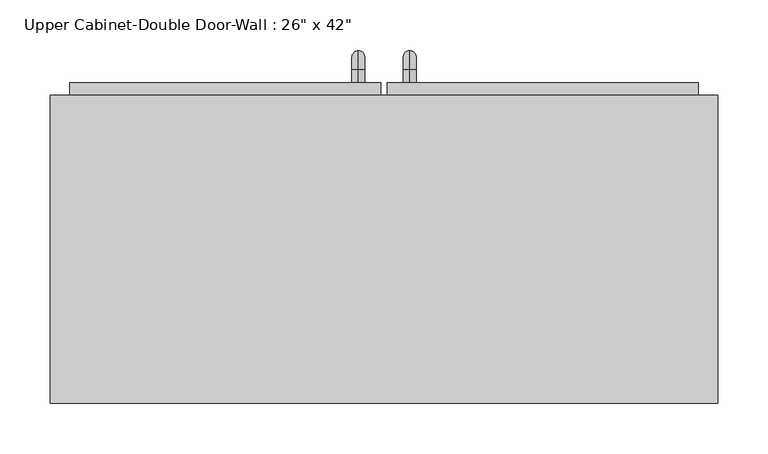
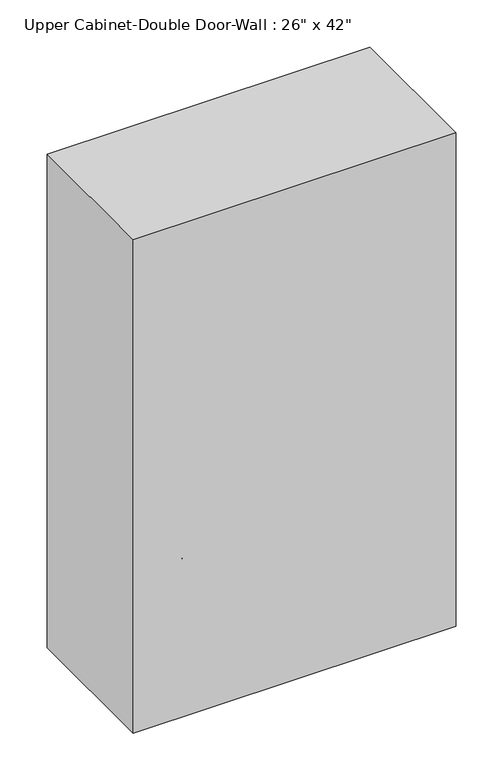
"""IFC4 building model written with IfcOpenShell, lengths in millimetres: furniture geometry."""

from ifc_helpers import new_model, si_unit, point, frame, origin, place, context, project, spatial, polyline, circle_curve, ellipse_curve, trimmed, outline, extrude, faceted_brep, source, transform, mapped, element, save
from ifc_brep_helpers import plane_surface, cylinder_surface, revolved_surface, advanced_brep


def furniture_21360c3f(model_context):
    return source(origin(), model_context, "Body", "SolidModel", [
        faceted_brep([(-300.4288372, 61.9125, 2133.6), (-300.4288372, 61.9125, 1066.8), (359.9711628, 61.9125, 1066.8), (359.9711628, 61.9125, 2133.6), (-300.4288372, 366.7125, 2133.6), (359.9711628, 366.7125, 2133.6), (359.9711628, 366.7125, 1066.8), (-300.4288372, 366.7125, 1066.8), (-281.3788372, 366.7125, 2114.55), (-281.3788372, 366.7125, 1085.85), (340.9211628, 366.7125, 1085.85), (340.9211628, 366.7125, 2114.55), (340.9211628, 80.9625, 2114.55), (-281.3788372, 80.9625, 2114.55), (340.9211628, 80.9625, 1085.85), (-281.3788372, 80.9625, 1085.85)], [[[0, 1, 2, 3]], [[4, 5, 6, 7], [8, 9, 10, 11]], [[1, 0, 4, 7]], [[2, 1, 7, 6]], [[3, 2, 6, 5]], [[0, 3, 5, 4]], [[8, 11, 12, 13]], [[11, 10, 14, 12]], [[10, 9, 15, 14]], [[9, 8, 13, 15]], [[13, 12, 14, 15]]]),
        advanced_brep(
        [(55.1711628, 379.4125, 1212.85), (55.1711628, 379.4125, 1225.55), (55.1711628, 392.1125, 1212.85), (55.1711628, 392.1125, 1225.55), (55.1711628, 411.1625, 1206.5), (55.1711628, 398.4625, 1206.5), (55.1711628, 398.4625, 1130.3), (55.1711628, 411.1625, 1130.3), (55.1711628, 392.1125, 1111.25), (55.1711628, 392.1125, 1123.95), (55.1711628, 379.4125, 1123.95), (55.1711628, 379.4125, 1111.25)],
        [
            (0, 1, circle_curve(frame((55.1711628, 379.4125, 1219.2), z_axis=(0.0, -1.0, 0.0), x_axis=(0.0, 0.0, -1.0)), 6.35)),
            (1, 0, circle_curve(frame((55.1711628, 379.4125, 1219.2), z_axis=(0.0, -1.0, 0.0), x_axis=(0.0, 0.0, -1.0)), 6.35)),
            (0, 2),
            (2, 3, circle_curve(frame((55.1711628, 392.1125, 1219.2), z_axis=(0.0, -1.0, 0.0), x_axis=(0.0, 0.0, -1.0)), 6.35)),
            (3, 1),
            (3, 2, circle_curve(frame((55.1711628, 392.1125, 1219.2), z_axis=(0.0, -1.0, 0.0), x_axis=(0.0, 0.0, -1.0)), 6.35)),
            (4, 3, circle_curve(frame((55.1711628, 392.1125, 1206.5), z_axis=(1.0, 0.0, 0.0), x_axis=(0.0, 0.0, 1.0)), 19.05)),
            (2, 5, circle_curve(frame((55.1711628, 392.1125, 1206.5), z_axis=(-1.0, 0.0, 0.0), x_axis=(0.0, 0.0, 1.0)), 6.35)),
            (5, 4, circle_curve(frame((55.1711628, 404.8125, 1206.5), z_axis=(0.0, 0.0, 1.0), x_axis=(0.0, -1.0, 0.0)), 6.35)),
            (4, 5, circle_curve(frame((55.1711628, 404.8125, 1206.5), z_axis=(0.0, 0.0, 1.0), x_axis=(0.0, -1.0, 0.0)), 6.35)),
            (5, 6),
            (6, 7, circle_curve(frame((55.1711628, 404.8125, 1130.3), z_axis=(0.0, 0.0, 1.0), x_axis=(0.0, -1.0, 0.0)), 6.35)),
            (7, 4),
            (7, 6, circle_curve(frame((55.1711628, 404.8125, 1130.3), z_axis=(0.0, 0.0, 1.0), x_axis=(0.0, -1.0, 0.0)), 6.35)),
            (8, 7, circle_curve(frame((55.1711628, 392.1125, 1130.3), z_axis=(1.0, 0.0, 0.0), x_axis=(0.0, 1.0, 0.0)), 19.05)),
            (6, 9, circle_curve(frame((55.1711628, 392.1125, 1130.3), z_axis=(-1.0, 0.0, 0.0), x_axis=(0.0, 1.0, 0.0)), 6.35)),
            (9, 8, circle_curve(frame((55.1711628, 392.1125, 1117.6), z_axis=(0.0, 1.0, 0.0), x_axis=(0.0, 0.0, 1.0)), 6.35)),
            (8, 9, circle_curve(frame((55.1711628, 392.1125, 1117.6), z_axis=(0.0, 1.0, 0.0), x_axis=(0.0, 0.0, 1.0)), 6.35)),
            (10, 11, circle_curve(frame((55.1711628, 379.4125, 1117.6), z_axis=(0.0, -1.0, 0.0), x_axis=(0.0, 0.0, 1.0)), 6.35)),
            (11, 10, circle_curve(frame((55.1711628, 379.4125, 1117.6), z_axis=(0.0, -1.0, 0.0), x_axis=(0.0, 0.0, 1.0)), 6.35)),
            (9, 10),
            (11, 8),
        ],
        [
            plane_surface(frame((48.8211628, 379.4125, 1219.2), z_axis=(0.0, -1.0, 0.0), x_axis=(0.0, 0.0, 1.0))),
            cylinder_surface(frame((55.1711628, 379.4125, 1219.2), z_axis=(0.0, -1.0, 0.0), x_axis=(0.0, 0.0, -1.0)), 6.35),
            revolved_surface(trimmed(ellipse_curve(frame((55.1711628, 392.1125, 1219.2), z_axis=(0.0, -1.0, 0.0), x_axis=(0.0, 0.0, -1.0)), 6.35, 6.35), [point((55.1711628, 392.1125, 1212.85))], [point((55.1711628, 392.1125, 1225.55))], True, "CARTESIAN"), (55.1711628, 392.1125, 1206.5), (-1.0, 0.0, 0.0)),
            revolved_surface(trimmed(ellipse_curve(frame((55.1711628, 392.1125, 1219.2), z_axis=(0.0, -1.0, 0.0), x_axis=(0.0, 0.0, -1.0)), 6.35, 6.35), [point((55.1711628, 392.1125, 1225.55))], [point((55.1711628, 392.1125, 1212.85))], True, "CARTESIAN"), (55.1711628, 392.1125, 1206.5), (-1.0, 0.0, 0.0)),
            cylinder_surface(frame((55.1711628, 404.8125, 1206.5), z_axis=(0.0, 0.0, 1.0), x_axis=(0.0, -1.0, 0.0)), 6.35),
            revolved_surface(trimmed(ellipse_curve(frame((55.1711628, 404.8125, 1130.3), z_axis=(0.0, 0.0, 1.0), x_axis=(0.0, -1.0, 0.0)), 6.35, 6.35), [point((55.1711628, 398.4625, 1130.3))], [point((55.1711628, 411.1625, 1130.3))], True, "CARTESIAN"), (55.1711628, 392.1125, 1130.3), (-1.0, 0.0, 0.0)),
            revolved_surface(trimmed(ellipse_curve(frame((55.1711628, 404.8125, 1130.3), z_axis=(0.0, 0.0, 1.0), x_axis=(0.0, -1.0, 0.0)), 6.35, 6.35), [point((55.1711628, 411.1625, 1130.3))], [point((55.1711628, 398.4625, 1130.3))], True, "CARTESIAN"), (55.1711628, 392.1125, 1130.3), (-1.0, 0.0, 0.0)),
            plane_surface(frame((48.8211628, 379.4125, 1117.6), z_axis=(0.0, -1.0, 0.0), x_axis=(0.0, 0.0, -1.0))),
            cylinder_surface(frame((55.1711628, 392.1125, 1117.6), z_axis=(0.0, 1.0, 0.0), x_axis=(0.0, 0.0, 1.0)), 6.35),
        ],
        [
            (0, [[1, 2]]),
            (1, [[-1, 3, 4, 5]]),
            (1, [[-2, -5, 6, -3]]),
            (2, [[7, -4, 8, 9]]),
            (3, [[-8, -6, -7, 10]]),
            (4, [[-9, 11, 12, 13]]),
            (4, [[-10, -13, 14, -11]]),
            (5, [[15, -12, 16, 17]]),
            (6, [[-16, -14, -15, 18]]),
            (7, [[19, 20]]),
            (8, [[-17, 21, -20, 22]]),
            (8, [[-18, -22, -19, -21]]),
        ],
    ),
        advanced_brep(
        [(4.3711628, 379.4125, 1212.85), (4.3711628, 379.4125, 1225.55), (4.3711628, 392.1125, 1212.85), (4.3711628, 392.1125, 1225.55), (4.3711628, 411.1625, 1206.5), (4.3711628, 398.4625, 1206.5), (4.3711628, 398.4625, 1130.3), (4.3711628, 411.1625, 1130.3), (4.3711628, 392.1125, 1111.25), (4.3711628, 392.1125, 1123.95), (4.3711628, 379.4125, 1123.95), (4.3711628, 379.4125, 1111.25)],
        [
            (0, 1, circle_curve(frame((4.3711628, 379.4125, 1219.2), z_axis=(0.0, -1.0, 0.0), x_axis=(0.0, 0.0, 1.0)), 6.35)),
            (1, 0, circle_curve(frame((4.3711628, 379.4125, 1219.2), z_axis=(0.0, -1.0, 0.0), x_axis=(0.0, 0.0, 1.0)), 6.35)),
            (0, 2),
            (2, 3, circle_curve(frame((4.3711628, 392.1125, 1219.2), z_axis=(0.0, -1.0, 0.0), x_axis=(0.0, 0.0, 1.0)), 6.35)),
            (3, 1),
            (3, 2, circle_curve(frame((4.3711628, 392.1125, 1219.2), z_axis=(0.0, -1.0, 0.0), x_axis=(0.0, 0.0, 1.0)), 6.35)),
            (4, 3, circle_curve(frame((4.3711628, 392.1125, 1206.5), z_axis=(1.0, 0.0, 0.0), x_axis=(0.0, 0.0, 1.0)), 19.05)),
            (2, 5, circle_curve(frame((4.3711628, 392.1125, 1206.5), z_axis=(-1.0, 0.0, 0.0), x_axis=(0.0, 0.0, 1.0)), 6.35)),
            (5, 4, circle_curve(frame((4.3711628, 404.8125, 1206.5), z_axis=(0.0, 0.0, 1.0), x_axis=(0.0, 1.0, 0.0)), 6.35)),
            (4, 5, circle_curve(frame((4.3711628, 404.8125, 1206.5), z_axis=(0.0, 0.0, 1.0), x_axis=(0.0, 1.0, 0.0)), 6.35)),
            (5, 6),
            (6, 7, circle_curve(frame((4.3711628, 404.8125, 1130.3), z_axis=(0.0, 0.0, 1.0), x_axis=(0.0, 1.0, 0.0)), 6.35)),
            (7, 4),
            (7, 6, circle_curve(frame((4.3711628, 404.8125, 1130.3), z_axis=(0.0, 0.0, 1.0), x_axis=(0.0, 1.0, 0.0)), 6.35)),
            (8, 7, circle_curve(frame((4.3711628, 392.1125, 1130.3), z_axis=(1.0, 0.0, 0.0), x_axis=(0.0, 1.0, 0.0)), 19.05)),
            (6, 9, circle_curve(frame((4.3711628, 392.1125, 1130.3), z_axis=(-1.0, 0.0, 0.0), x_axis=(0.0, 1.0, 0.0)), 6.35)),
            (9, 8, circle_curve(frame((4.3711628, 392.1125, 1117.6), z_axis=(0.0, 1.0, 0.0), x_axis=(0.0, 0.0, -1.0)), 6.35)),
            (8, 9, circle_curve(frame((4.3711628, 392.1125, 1117.6), z_axis=(0.0, 1.0, 0.0), x_axis=(0.0, 0.0, -1.0)), 6.35)),
            (10, 11, circle_curve(frame((4.3711628, 379.4125, 1117.6), z_axis=(0.0, -1.0, 0.0), x_axis=(0.0, 0.0, -1.0)), 6.35)),
            (11, 10, circle_curve(frame((4.3711628, 379.4125, 1117.6), z_axis=(0.0, -1.0, 0.0), x_axis=(0.0, 0.0, -1.0)), 6.35)),
            (9, 10),
            (11, 8),
        ],
        [
            plane_surface(frame((-1.9788372, 379.4125, 1219.2), z_axis=(0.0, -1.0, 0.0), x_axis=(0.0, 0.0, 1.0))),
            cylinder_surface(frame((4.3711628, 379.4125, 1219.2), z_axis=(0.0, -1.0, 0.0), x_axis=(0.0, 0.0, 1.0)), 6.35),
            revolved_surface(trimmed(ellipse_curve(frame((4.3711628, 392.1125, 1219.2), z_axis=(0.0, -1.0, 0.0), x_axis=(0.0, 0.0, 1.0)), 6.35, 6.35), [point((4.3711628, 392.1125, 1212.85))], [point((4.3711628, 392.1125, 1225.55))], True, "CARTESIAN"), (4.3711628, 392.1125, 1206.5), (-1.0, 0.0, 0.0)),
            revolved_surface(trimmed(ellipse_curve(frame((4.3711628, 392.1125, 1219.2), z_axis=(0.0, -1.0, 0.0), x_axis=(0.0, 0.0, 1.0)), 6.35, 6.35), [point((4.3711628, 392.1125, 1225.55))], [point((4.3711628, 392.1125, 1212.85))], True, "CARTESIAN"), (4.3711628, 392.1125, 1206.5), (-1.0, 0.0, 0.0)),
            cylinder_surface(frame((4.3711628, 404.8125, 1206.5), z_axis=(0.0, 0.0, 1.0), x_axis=(0.0, 1.0, 0.0)), 6.35),
            revolved_surface(trimmed(ellipse_curve(frame((4.3711628, 404.8125, 1130.3), z_axis=(0.0, 0.0, 1.0), x_axis=(0.0, 1.0, 0.0)), 6.35, 6.35), [point((4.3711628, 398.4625, 1130.3))], [point((4.3711628, 411.1625, 1130.3))], True, "CARTESIAN"), (4.3711628, 392.1125, 1130.3), (-1.0, 0.0, 0.0)),
            revolved_surface(trimmed(ellipse_curve(frame((4.3711628, 404.8125, 1130.3), z_axis=(0.0, 0.0, 1.0), x_axis=(0.0, 1.0, 0.0)), 6.35, 6.35), [point((4.3711628, 411.1625, 1130.3))], [point((4.3711628, 398.4625, 1130.3))], True, "CARTESIAN"), (4.3711628, 392.1125, 1130.3), (-1.0, 0.0, 0.0)),
            plane_surface(frame((-1.9788372, 379.4125, 1117.6), z_axis=(0.0, -1.0, 0.0), x_axis=(0.0, 0.0, -1.0))),
            cylinder_surface(frame((4.3711628, 392.1125, 1117.6), z_axis=(0.0, 1.0, 0.0), x_axis=(0.0, 0.0, -1.0)), 6.35),
        ],
        [
            (0, [[1, 2]]),
            (1, [[-1, 3, 4, 5]]),
            (1, [[-2, -5, 6, -3]]),
            (2, [[7, -4, 8, 9]]),
            (3, [[-8, -6, -7, 10]]),
            (4, [[-9, 11, 12, 13]]),
            (4, [[-10, -13, 14, -11]]),
            (5, [[15, -12, 16, 17]]),
            (6, [[-16, -14, -15, 18]]),
            (7, [[19, 20]]),
            (8, [[-17, 21, -20, 22]]),
            (8, [[-18, -22, -19, -21]]),
        ],
    ),
        extrude(outline(polyline([(32.9461628, 379.4125), (340.9211628, 379.4125), (340.9211628, 347.6625), (32.9461628, 347.6625), (32.9461628, 379.4125)])), frame((0.0, 0.0, 1085.85), z_axis=(0.0, 0.0, 1.0), x_axis=(1.0, 0.0, 0.0)), (0.0, 0.0, 1.0), 1028.7),
        extrude(outline(polyline([(-281.3788372, 379.4125), (26.5961628, 379.4125), (26.5961628, 347.6625), (-281.3788372, 347.6625), (-281.3788372, 379.4125)])), frame((0.0, 0.0, 1085.85), z_axis=(0.0, 0.0, 1.0), x_axis=(1.0, 0.0, 0.0)), (0.0, 0.0, 1.0), 1028.7),
    ])


if __name__ == "__main__":
    model = new_model("IFC4")
    model_context = context("Model", 3, world=origin())
    ifc_project = project(units=[si_unit("LENGTHUNIT", "METRE", prefix="MILLI")], contexts=[model_context])
    site = spatial("IfcSite", under=ifc_project)
    building = spatial("IfcBuilding", under=site)
    placement = place(None, origin())
    furniture_shape = furniture_21360c3f(model_context)
    element("IfcFurniture", 1, ObjectType="Upper Cabinet-Double Door-Wall : 26\" x 42\"", at=placement, inside=building, context=model_context, shape_type="MappedRepresentation", body=[
        mapped(furniture_shape, transform((0.0, 0.0, 0.0), x_axis=(1.0, 0.0, 0.0), y_axis=(0.0, 1.0, 0.0), z_axis=(0.0, 0.0, 1.0))),
    ])
    save(model, "model.ifc")
